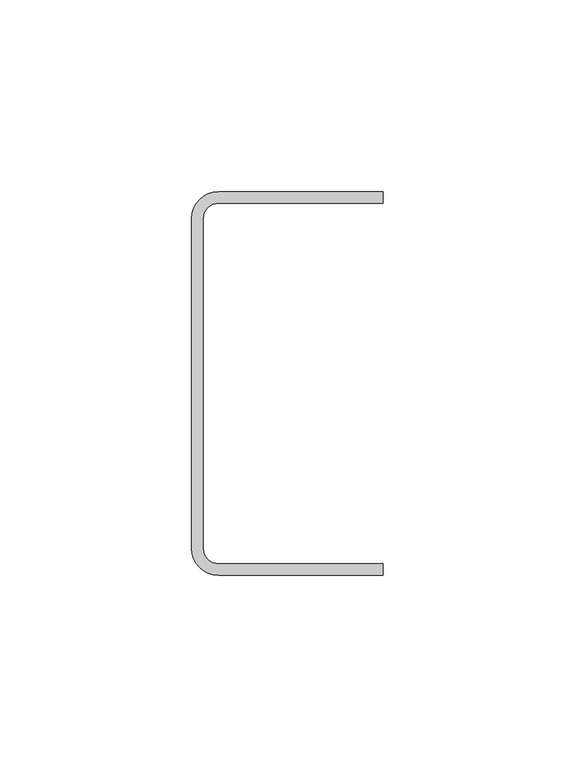
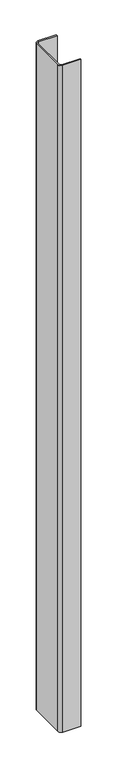
"""IFC4 building model written with IfcOpenShell, lengths in millimetres: column geometry."""

from ifc_helpers import new_model, si_unit, point, frame_2d, origin, origin_with_axes, place, context, project, spatial, polyline, circle_curve, trimmed, segment, composite_curve, outline, extrude, source, transform, mapped, element, save


def column_a567bf4c(model_context):
    return source(origin(), model_context, "Body", "SweptSolid", [
        extrude(outline(composite_curve([segment(polyline([(36.1, 50.0), (36.1, 47.0), (-6.9, 47.0)]), True, "CONTINUOUS"), segment(trimmed(circle_curve(frame_2d((-6.9, 43.0)), 4.0), [point((-6.9, 47.0))], [point((-10.9, 43.0))], True, "CARTESIAN"), True, "CONTINUOUS"), segment(polyline([(-10.9, 43.0), (-10.9, -43.0)]), True, "CONTINUOUS"), segment(trimmed(circle_curve(frame_2d((-6.9, -43.0)), 4.0), [point((-10.9, -43.0))], [point((-6.9, -47.0))], True, "CARTESIAN"), True, "CONTINUOUS"), segment(polyline([(-6.9, -47.0), (36.1, -47.0), (36.1, -50.0), (-6.9, -50.0)]), True, "CONTINUOUS"), segment(trimmed(circle_curve(frame_2d((-6.9, -43.0)), 7.0), [point((-6.9, -50.0))], [point((-13.9, -43.0))], False, "CARTESIAN"), True, "CONTINUOUS"), segment(polyline([(-13.9, -43.0), (-13.9, 43.0)]), True, "CONTINUOUS"), segment(trimmed(circle_curve(frame_2d((-6.9, 43.0)), 7.0), [point((-13.9, 43.0))], [point((-6.9, 50.0))], False, "CARTESIAN"), True, "CONTINUOUS"), segment(polyline([(-6.9, 50.0), (36.1, 50.0)]), True, "CONTINUOUS")], self_intersect=False)), origin_with_axes(), (0.0, 0.0, 1.0), 1650.0),
    ])


if __name__ == "__main__":
    model = new_model("IFC4")
    model_context = context("Model", 3, world=origin())
    ifc_project = project(units=[si_unit("LENGTHUNIT", "METRE", prefix="MILLI")], contexts=[model_context])
    site = spatial("IfcSite", under=ifc_project)
    building = spatial("IfcBuilding", under=site)
    placement = place(None, origin())
    column_shape = column_a567bf4c(model_context)
    element("IfcColumn", 1, at=placement, inside=building, context=model_context, shape_type="MappedRepresentation", body=[
        mapped(column_shape, transform((0.0, 0.0, 0.0), x_axis=(1.0, 0.0, 0.0), y_axis=(0.0, 1.0, 0.0), z_axis=(0.0, 0.0, 1.0))),
    ])
    save(model, "model.ifc")
